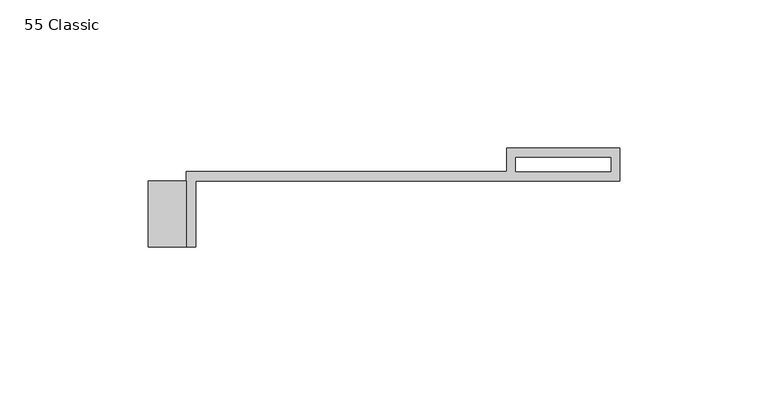
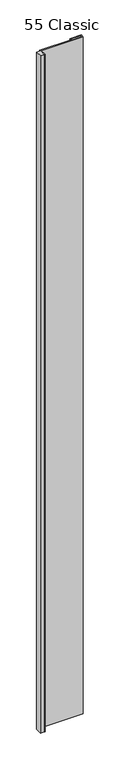
"""IFC4 building model written with IfcOpenShell, lengths in millimetres: proxy geometry, 55 Classic."""

from ifc_helpers import new_model, si_unit, origin, origin_with_axes, place, context, project, spatial, polyline, outline, extrude, source, transform, mapped, element, save


def proxy_55_classic_c54d51dc(model_context):
    return source(origin(), model_context, "Body", "SweptSolid", [
        extrude(outline(polyline([(-107.95, 0.0), (-107.95, -22.225), (-120.65, -22.225), (-120.65, 0.0), (-107.95, 0.0)])), origin_with_axes(), (0.0, 0.0, 1.0), 2438.4),
        extrude(outline(polyline([(-107.95, -22.225), (-107.95, 3.175), (0.0, 3.175), (0.0, 11.1125), (38.1, 11.1125), (38.1, 0.0), (-104.775, 0.0), (-104.775, -22.225), (-107.95, -22.225)]), holes=[polyline([(3.175, 3.175), (35.1499571, 3.175), (35.1499571, 7.9375), (3.175, 7.9375), (3.175, 3.175)])]), origin_with_axes(), (0.0, 0.0, 1.0), 2438.4),
    ])


if __name__ == "__main__":
    model = new_model("IFC4")
    model_context = context("Model", 3, world=origin())
    ifc_project = project(units=[si_unit("LENGTHUNIT", "METRE", prefix="MILLI")], contexts=[model_context])
    site = spatial("IfcSite", under=ifc_project)
    building = spatial("IfcBuilding", under=site)
    placement = place(None, origin())
    proxy_55_classic_shape = proxy_55_classic_c54d51dc(model_context)
    element("IfcBuildingElementProxy", 1, Name="55 Classic", ObjectType="55 Classic", at=placement, inside=building, context=model_context, shape_type="MappedRepresentation", body=[
        mapped(proxy_55_classic_shape, transform((0.0, 0.0, 0.0), x_axis=(1.0, 0.0, 0.0), y_axis=(0.0, 1.0, 0.0), z_axis=(0.0, 0.0, 1.0))),
    ])
    save(model, "model.ifc")
